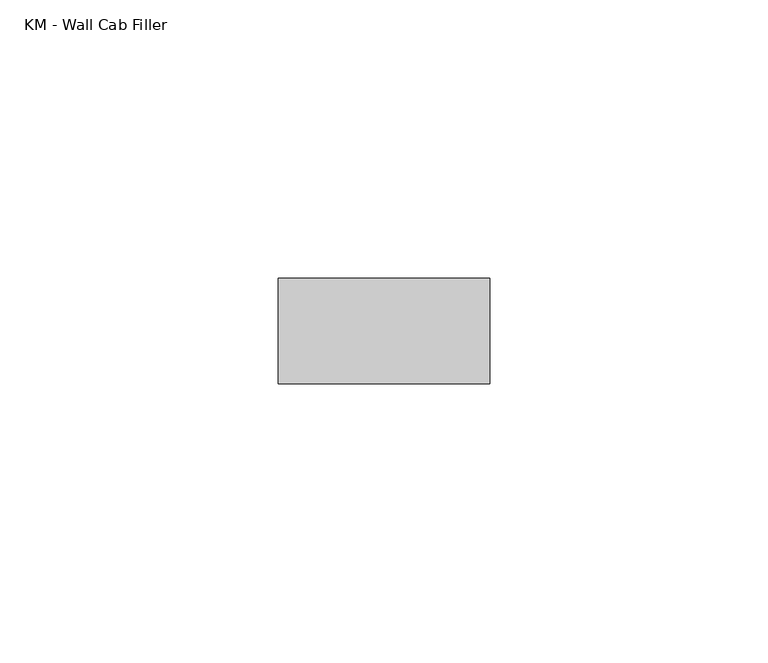
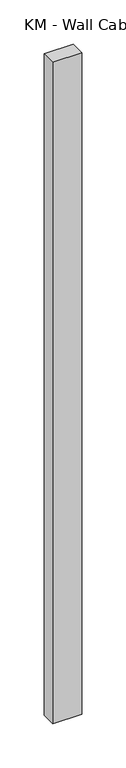
"""IFC4 building model written with IfcOpenShell, lengths in millimetres: furniture geometry, KM - Wall Cab Filler."""

from ifc_helpers import new_model, si_unit, frame, origin, place, context, project, spatial, polyline, outline, extrude, source, transform, mapped, element, save


def km_wall_cab_filler_a049f3f7(model_context):
    return source(origin(), model_context, "Body", "SweptSolid", [
        extrude(outline(polyline([(19.05, -336.55), (19.05, -355.6), (-19.05, -355.6), (-19.05, -336.55), (19.05, -336.55)])), frame((0.0, 0.0, 928.0500914), z_axis=(0.0, 0.0, 1.0), x_axis=(1.0, 0.0, 0.0)), (0.0, 0.0, 1.0), 914.4),
    ])


if __name__ == "__main__":
    model = new_model("IFC4")
    model_context = context("Model", 3, world=origin())
    ifc_project = project(units=[si_unit("LENGTHUNIT", "METRE", prefix="MILLI")], contexts=[model_context])
    site = spatial("IfcSite", under=ifc_project)
    building = spatial("IfcBuilding", under=site)
    placement = place(None, origin())
    km_wall_cab_filler_shape = km_wall_cab_filler_a049f3f7(model_context)
    element("IfcFurniture", 1, ObjectType="KM - Wall Cab Filler", at=placement, inside=building, context=model_context, shape_type="MappedRepresentation", body=[
        mapped(km_wall_cab_filler_shape, transform((0.0, 0.0, 0.0), x_axis=(1.0, 0.0, 0.0), y_axis=(0.0, 1.0, 0.0), z_axis=(0.0, 0.0, 1.0))),
    ])
    save(model, "model.ifc")
